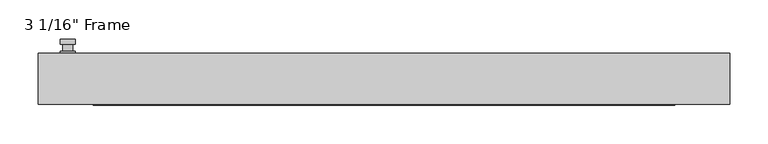
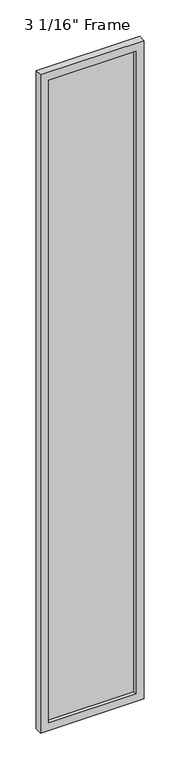
"""IFC4 building model written with IfcOpenShell, lengths in millimetres: plate geometry."""

from ifc_helpers import new_model, si_unit, frame, origin, place, context, project, spatial, polyline, circle_curve, outline, extrude, faceted_brep, source, transform, mapped, element, save
from ifc_brep_helpers import plane_surface, cylinder_surface, advanced_brep


def plate_dec51da5(model_context):
    return source(origin(), model_context, "Body", "SolidModel", [
        advanced_brep(
        [(-401.6375, 33.3375, 927.1), (-420.6875, 33.3375, 927.1), (-420.6875, 33.3375, 901.7), (-401.6375, 33.3375, 901.7), (-404.8125, 46.0375, 914.4), (-404.8125, 36.5125, 914.4), (-417.5125, 36.5125, 914.4), (-417.5125, 46.0375, 914.4), (-401.6375, 46.0375, 914.4), (-420.6875, 46.0375, 914.4), (-417.5084644, 46.0375, 825.2736467), (-404.8165356, 46.0375, 825.2736467), (-401.6375, 52.3875, 914.4), (-404.8165356, 52.3875, 825.2736467), (-417.5084644, 52.3875, 825.2736467), (-420.6875, 52.3875, 914.4), (-401.6375, 36.5125, 927.1), (-401.6375, 36.5125, 901.7), (-420.6875, 36.5125, 901.7), (-420.6875, 36.5125, 927.1)],
        [
            (0, 1, circle_curve(frame((-411.1625, 33.3375, 927.1), z_axis=(0.0, -1.0, 0.0), x_axis=(-1.0, 0.0, 0.0)), 9.525)),
            (1, 2),
            (2, 3, circle_curve(frame((-411.1625, 33.3375, 901.7), z_axis=(0.0, -1.0, 0.0), x_axis=(-1.0, 0.0, 0.0)), 9.525)),
            (3, 0),
            (4, 5),
            (5, 6, circle_curve(frame((-411.1625, 36.5125, 914.4), z_axis=(0.0, 1.0, 0.0), x_axis=(-1.0, 0.0, 0.0)), 6.35)),
            (6, 7),
            (7, 4, circle_curve(frame((-411.1625, 46.0375, 914.4), z_axis=(0.0, -1.0, 0.0), x_axis=(-1.0, 0.0, 0.0)), 6.35)),
            (6, 5, circle_curve(frame((-411.1625, 36.5125, 914.4), z_axis=(0.0, 1.0, 0.0), x_axis=(-1.0, 0.0, 0.0)), 6.35)),
            (4, 7, circle_curve(frame((-411.1625, 46.0375, 914.4), z_axis=(0.0, -1.0, 0.0), x_axis=(-1.0, 0.0, 0.0)), 6.35)),
            (8, 9, circle_curve(frame((-411.1625, 46.0375, 914.4), z_axis=(0.0, -1.0, 0.0), x_axis=(-1.0, 0.0, 0.0)), 9.525)),
            (9, 10),
            (10, 11, circle_curve(frame((-411.1625, 46.0375, 825.5), z_axis=(0.0, -1.0, 0.0), x_axis=(-1.0, 0.0, 0.0)), 6.35)),
            (11, 8),
            (12, 13),
            (13, 14, circle_curve(frame((-411.1625, 52.3875, 825.5), z_axis=(0.0, 1.0, 0.0), x_axis=(-1.0, 0.0, 0.0)), 6.35)),
            (14, 15),
            (15, 12, circle_curve(frame((-411.1625, 52.3875, 914.4), z_axis=(0.0, 1.0, 0.0), x_axis=(-1.0, 0.0, 0.0)), 9.525)),
            (11, 13),
            (12, 8),
            (10, 14),
            (9, 15),
            (16, 17),
            (17, 18, circle_curve(frame((-411.1625, 36.5125, 901.7), z_axis=(0.0, 1.0, 0.0), x_axis=(-1.0, 0.0, 0.0)), 9.525)),
            (18, 19),
            (19, 16, circle_curve(frame((-411.1625, 36.5125, 927.1), z_axis=(0.0, 1.0, 0.0), x_axis=(-1.0, 0.0, 0.0)), 9.525)),
            (3, 17),
            (16, 0),
            (2, 18),
            (1, 19),
        ],
        [
            plane_surface(frame((-417.5125, 33.3375, 914.4), z_axis=(0.0, -1.0, 0.0), x_axis=(0.0, 0.0, 1.0))),
            cylinder_surface(frame((-411.1625, 46.0375, 914.4), z_axis=(0.0, -1.0, 0.0), x_axis=(-1.0, 0.0, 0.0)), 6.35),
            plane_surface(frame((-401.6375, 46.0375, 914.4), z_axis=(0.0, -1.0000000000000002, 0.0), x_axis=(-0.03564619348186888, 0.0, -0.9993644724975235))),
            plane_surface(frame((-401.6375, 52.3875, 914.4), z_axis=(0.0, 1.0000000000000002, 0.0), x_axis=(0.03564619348186888, 0.0, 0.9993644724975235))),
            plane_surface(frame((-401.6375, 46.0375, 914.4), z_axis=(0.9993644724975235, 0.0, -0.03564619348186888), x_axis=(0.0, 1.0, 0.0))),
            cylinder_surface(frame((-411.1625, 52.3875, 825.5), z_axis=(0.0, -1.0, 0.0), x_axis=(-1.0, 0.0, 0.0)), 6.35),
            plane_surface(frame((-417.5084644, 46.0375, 825.2736467), z_axis=(-0.9993644724975228, 0.0, -0.03564619348188612), x_axis=(0.0, 1.0, 0.0))),
            cylinder_surface(frame((-411.1625, 52.3875, 914.4), z_axis=(0.0, -1.0, 0.0), x_axis=(-1.0, 0.0, 0.0)), 9.525),
            plane_surface(frame((-401.6375, 36.5125, 901.7), z_axis=(0.0, 1.0, 0.0), x_axis=(0.0, 0.0, 1.0))),
            plane_surface(frame((-401.6375, 33.3375, 927.1), z_axis=(1.0, 0.0, 0.0), x_axis=(0.0, 1.0, 0.0))),
            cylinder_surface(frame((-411.1625, 36.5125, 901.7), z_axis=(0.0, -1.0, 0.0), x_axis=(-1.0, 0.0, 0.0)), 9.525),
            plane_surface(frame((-420.6875, 33.3375, 901.7), z_axis=(-1.0, 0.0, 0.0), x_axis=(0.0, 1.0, 0.0))),
            cylinder_surface(frame((-411.1625, 36.5125, 927.1), z_axis=(0.0, -1.0, 0.0), x_axis=(-1.0, 0.0, 0.0)), 9.525),
        ],
        [
            (0, [[1, 2, 3, 4]]),
            (1, [[5, 6, 7, 8]]),
            (1, [[-7, 9, -5, 10]]),
            (2, [[11, 12, 13, 14], [-10, -8]]),
            (3, [[15, 16, 17, 18]]),
            (4, [[19, -15, 20, -14]]),
            (5, [[21, -16, -19, -13]]),
            (6, [[22, -17, -21, -12]]),
            (7, [[-20, -18, -22, -11]]),
            (8, [[23, 24, 25, 26], [-9, -6]]),
            (9, [[27, -23, 28, -4]]),
            (10, [[29, -24, -27, -3]]),
            (11, [[30, -25, -29, -2]]),
            (12, [[-28, -26, -30, -1]]),
        ],
    ),
        faceted_brep([(-449.2625, 33.3375, 0.0), (449.2625, 33.3375, 0.0), (449.2625, -33.3375, 0.0), (-449.2625, -33.3375, 0.0), (-449.2625, 33.3375, 6021.3875), (449.2625, 33.3375, 6021.3875), (-377.825, 33.3375, 5949.95), (-377.825, 33.3375, 71.4375), (377.825, 33.3375, 71.4375), (377.825, 33.3375, 5949.95), (-449.2625, -33.3375, 6021.3875), (449.2625, -33.3375, 6021.3875), (-377.825, -33.3375, 5949.95), (377.825, -33.3375, 5949.95), (377.825, -33.3375, 71.4375), (-377.825, -33.3375, 71.4375), (-371.475, -11.90625, 77.7875), (-371.475, -11.90625, 5943.6), (384.175, -11.90625, 5956.3), (384.175, -11.90625, 65.0875), (-384.175, -11.90625, 65.0875), (-384.175, -11.90625, 5956.3), (371.475, -11.90625, 77.7875), (371.475, -11.90625, 5943.6), (-384.175, 11.90625, 65.0875), (-384.175, 11.90625, 5956.3), (384.175, 11.90625, 65.0875), (384.175, 11.90625, 5956.3), (-371.475, 11.90625, 5943.6), (371.475, 11.90625, 5943.6), (371.475, 11.90625, 77.7875), (-371.475, 11.90625, 77.7875)], [[[0, 1, 2, 3]], [[0, 4, 5, 1], [6, 7, 8, 9]], [[3, 10, 4, 0]], [[2, 11, 10, 3], [12, 13, 14, 15]], [[12, 15, 16, 17]], [[18, 19, 20, 21], [17, 16, 22, 23]], [[20, 24, 25, 21]], [[25, 24, 26, 27], [28, 29, 30, 31]], [[28, 31, 7, 6]], [[4, 10, 11, 5]], [[12, 17, 23, 13]], [[21, 25, 27, 18]], [[9, 29, 28, 6]], [[5, 11, 2, 1]], [[23, 22, 14, 13]], [[26, 19, 18, 27]], [[9, 8, 30, 29]], [[7, 31, 30, 8]], [[19, 26, 24, 20]], [[16, 15, 14, 22]]]),
        extrude(outline(polyline([(384.175, 11.90625), (384.175, -11.90625), (-384.175, -11.90625), (-384.175, 11.90625), (384.175, 11.90625)])), frame((0.0, 0.0, 65.0875), z_axis=(0.0, 0.0, 1.0), x_axis=(1.0, 0.0, 0.0)), (0.0, 0.0, 1.0), 5891.2125),
    ])


if __name__ == "__main__":
    model = new_model("IFC4")
    model_context = context("Model", 3, world=origin())
    ifc_project = project(units=[si_unit("LENGTHUNIT", "METRE", prefix="MILLI")], contexts=[model_context])
    site = spatial("IfcSite", under=ifc_project)
    building = spatial("IfcBuilding", under=site)
    placement = place(None, origin())
    plate_shape = plate_dec51da5(model_context)
    element("IfcPlate", 1, ObjectType="3 1/16\" Frame", at=placement, inside=building, context=model_context, shape_type="MappedRepresentation", body=[
        mapped(plate_shape, transform((0.0, 0.0, 0.0), x_axis=(1.0, 0.0, 0.0), y_axis=(0.0, 1.0, 0.0), z_axis=(0.0, 0.0, 1.0))),
    ])
    save(model, "model.ifc")
